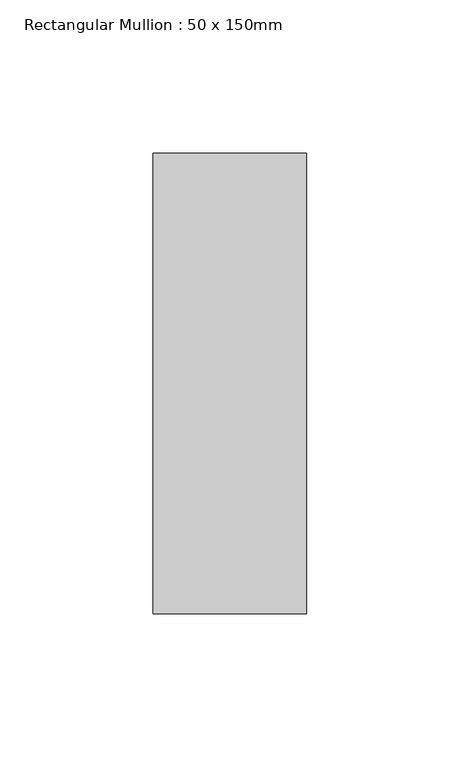
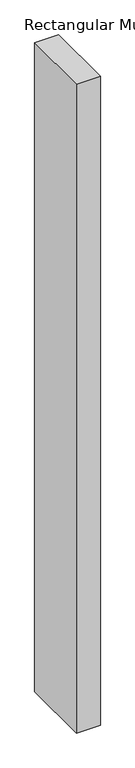
"""IFC4 building model written with IfcOpenShell, lengths in millimetres: member geometry, Rectangular Mullion : 50 x 150mm."""

import ifcopenshell
import ifcopenshell.guid

model = None  # the IFC model being written
_history = None  # IfcOwnerHistory: only IFC2X3 demands one
_inside = {}  # id of a spatial element -> (the spatial element, [elements in it])
_under = {}  # id of a project, library or spatial element -> (it, [spatial elements below it])
_declared = {}  # id of a project -> (the project, [libraries it declares])
_typed = {}  # id of a type object -> (the type object, [elements of that type])
_made_of = {}  # id of a material, layer set ... -> (it, [elements and type objects made of it])


def new_model(schema):
    """Start an empty IFC model of exactly this schema.

    Asked for "IFC4X3", IfcOpenShell would pick the latest addendum, in which some entities
    have other attributes; the version numbers below select the first issue.
    IFC2X3 requires an IfcOwnerHistory on every rooted entity: one is made here for all.
    """
    global model, _history
    if schema == "IFC4X3":
        model = ifcopenshell.file(schema_version=(4, 3, 0, 0))
    else:
        model = ifcopenshell.file(schema=schema)
    _inside.clear()
    _under.clear()
    _declared.clear()
    _typed.clear()
    _made_of.clear()
    _history = None
    if model.schema == "IFC2X3":
        org = make("IfcOrganization", Name="unknown")
        user = make(
            "IfcPersonAndOrganization",
            ThePerson=make("IfcPerson", FamilyName="unknown"),
            TheOrganization=org,
        )
        app = make(
            "IfcApplication",
            ApplicationDeveloper=org,
            Version="unknown",
            ApplicationFullName="unknown",
            ApplicationIdentifier="unknown",
        )
        _history = make(
            "IfcOwnerHistory",
            OwningUser=user,
            OwningApplication=app,
            ChangeAction="ADDED",
            CreationDate=0,
        )
    return model


def make(cls, **values):
    """One entity of the class cls with the attributes given. An attribute that is None is left unset."""
    return model.create_entity(
        cls, **{name: value for name, value in values.items() if value is not None}
    )


def rooted(cls, **values):
    """An entity with a GlobalId (a new one), such as an element, a storey or a relation."""
    return make(cls, GlobalId=ifcopenshell.guid.new(), OwnerHistory=_history, **values)


def si_unit(unit_type, name, prefix=None):
    """IfcSIUnit, for example si_unit("LENGTHUNIT", "METRE", prefix="MILLI")."""
    return make("IfcSIUnit", UnitType=unit_type, Prefix=prefix, Name=name)


def assignment(units):
    """IfcUnitAssignment: the units of a project."""
    return None if units is None else make("IfcUnitAssignment", Units=units)


def point(xyz):
    """IfcCartesianPoint."""
    return None if xyz is None else make("IfcCartesianPoint", Coordinates=xyz)


def direction(xyz):
    """IfcDirection."""
    return None if xyz is None else make("IfcDirection", DirectionRatios=xyz)


def frame(location, z_axis=None, x_axis=None):
    """IfcAxis2Placement3D, a coordinate frame: its origin and axes. An axis left out is left unset."""
    return make(
        "IfcAxis2Placement3D",
        Location=point(location),
        Axis=direction(z_axis),
        RefDirection=direction(x_axis),
    )


def origin():
    """The frame at (0, 0, 0) with its axes left unset."""
    return frame((0.0, 0.0, 0.0))


def place(relative_to, where):
    """IfcLocalPlacement: puts the frame where relative to a parent placement (None: the world)."""
    return make(
        "IfcLocalPlacement", PlacementRelTo=relative_to, RelativePlacement=where
    )


def context(
    kind, dimensions, precision=None, world=None, true_north=None, identifier=None
):
    """IfcGeometricRepresentationContext, for example the 3D "Model" context."""
    return make(
        "IfcGeometricRepresentationContext",
        ContextIdentifier=identifier,
        ContextType=kind,
        CoordinateSpaceDimension=dimensions,
        Precision=precision,
        WorldCoordinateSystem=world,
        TrueNorth=true_north,
    )


def project(units=None, contexts=None):
    """IfcProject with its units and contexts."""
    return rooted(
        "IfcProject",
        Name="project",
        RepresentationContexts=contexts,
        UnitsInContext=assignment(units),
    )


def spatial(cls, under=None, at=None, **own):
    """A site, building, storey or space (cls), placed at a placement, below another one or the project."""
    s = rooted(cls, ObjectPlacement=at, **own)
    if under is not None:
        _under.setdefault(under.id(), (under, []))[1].append(s)
    return s


def polyline(points):
    """IfcPolyline through the points."""
    return make("IfcPolyline", Points=[point(p) for p in points])


def outline(outer, holes=None, kind="AREA"):
    """IfcArbitraryClosedProfileDef: a profile drawn as a closed curve; with holes, ...WithVoids."""
    if holes is None:
        return make("IfcArbitraryClosedProfileDef", ProfileType=kind, OuterCurve=outer)
    return make(
        "IfcArbitraryProfileDefWithVoids",
        ProfileType=kind,
        OuterCurve=outer,
        InnerCurves=holes,
    )


def extrude(swept, where, along, depth):
    """IfcExtrudedAreaSolid: the profile swept, set in the frame where, extruded along a direction by depth."""
    return make(
        "IfcExtrudedAreaSolid",
        SweptArea=swept,
        Position=where,
        ExtrudedDirection=direction(along),
        Depth=depth,
    )


def shape(context_of_items, identifier, shape_type, items):
    """IfcShapeRepresentation: the items that make up one representation, for example the "Body"."""
    return make(
        "IfcShapeRepresentation",
        ContextOfItems=context_of_items,
        RepresentationIdentifier=identifier,
        RepresentationType=shape_type,
        Items=items,
    )


def source(mapping_origin, context_of_items, identifier, shape_type, items):
    """IfcRepresentationMap: a shape defined once, which mapped items show again and again."""
    return make(
        "IfcRepresentationMap",
        MappingOrigin=mapping_origin,
        MappedRepresentation=shape(context_of_items, identifier, shape_type, items),
    )


def transform(
    local_origin,
    x_axis=None,
    y_axis=None,
    z_axis=None,
    scale=None,
    scale2=None,
    scale3=None,
    uniform=True,
):
    """IfcCartesianTransformationOperator3D, or its non-uniform kind. x_axis, y_axis, z_axis: its Axis1, 2, 3."""
    if uniform:
        return make(
            "IfcCartesianTransformationOperator3D",
            Axis1=direction(x_axis),
            Axis2=direction(y_axis),
            LocalOrigin=point(local_origin),
            Scale=scale,
            Axis3=direction(z_axis),
        )
    return make(
        "IfcCartesianTransformationOperator3DnonUniform",
        Axis1=direction(x_axis),
        Axis2=direction(y_axis),
        LocalOrigin=point(local_origin),
        Scale=scale,
        Axis3=direction(z_axis),
        Scale2=scale2,
        Scale3=scale3,
    )


def mapped(mapping_source, mapping_target):
    """IfcMappedItem: shows the shape of a source again, moved by a transform."""
    return make(
        "IfcMappedItem", MappingSource=mapping_source, MappingTarget=mapping_target
    )


def made_of(thing, what):
    """Note that an element or type object is made of a material, layer set ...; save() writes the relation."""
    if what is not None:
        _made_of.setdefault(what.id(), (what, []))[1].append(thing)
    return thing


def element(
    cls,
    number,
    at=None,
    inside=None,
    cuts=None,
    type_object=None,
    material=None,
    context=None,
    identifier="Body",
    shape_type=None,
    held_by="IfcProductDefinitionShape",
    body=None,
    shapes=None,
    **own,
):
    """One element of the class cls, such as IfcWall. Its Tag is "e" and its number.

    at: its placement. inside: the storey or other place that contains it. cuts: it is an
    opening in that element (IfcRelVoidsElement). A single representation is given by context,
    identifier, shape_type and body (its items); several are given by shapes. held_by: the class
    of the entity that holds the representations. save() writes the other relations.
    """
    e = rooted(cls, Tag="e%d" % number, ObjectPlacement=at, **own)
    if body is not None:
        shapes = [shape(context, identifier, shape_type, body)]
    if shapes is not None:
        e.Representation = make(held_by, Representations=shapes)
    if inside is not None:
        _inside.setdefault(inside.id(), (inside, []))[1].append(e)
    if cuts is not None:
        rooted(
            "IfcRelVoidsElement", RelatingBuildingElement=cuts, RelatedOpeningElement=e
        )
    if type_object is not None:
        _typed.setdefault(type_object.id(), (type_object, []))[1].append(e)
    return made_of(e, material)


def aggregate(whole, parts):
    """IfcRelAggregates: a whole, such as a stair, and the parts it consists of."""
    return rooted("IfcRelAggregates", RelatingObject=whole, RelatedObjects=parts)


def save(model, path):
    """Write the relations noted so far, then the file.

    IfcRelAggregates (storeys below a building ...), IfcRelContainedInSpatialStructure (elements
    in a storey), IfcRelDefinesByType, IfcRelAssociatesMaterial and IfcRelDeclares: one each for
    every whole, place, type object, material and project.
    """
    for whole, parts in _under.values():
        aggregate(whole, parts)
    for where, things in _inside.values():
        rooted(
            "IfcRelContainedInSpatialStructure",
            RelatedElements=things,
            RelatingStructure=where,
        )
    for kind, things in _typed.values():
        rooted("IfcRelDefinesByType", RelatedObjects=things, RelatingType=kind)
    for what, things in _made_of.values():
        rooted("IfcRelAssociatesMaterial", RelatedObjects=things, RelatingMaterial=what)
    for by, libraries in _declared.values():
        rooted("IfcRelDeclares", RelatingContext=by, RelatedDefinitions=libraries)
    model.write(path)


def rectangular_mullion_50_x_150mm_111e16da(model_context):
    return source(origin(), model_context, "Body", "SweptSolid", [
        extrude(outline(polyline([(25.0, 75.0), (25.0, -75.0), (-25.0, -75.0), (-25.0, 75.0), (25.0, 75.0)])), frame((0.0, 0.0, -1427.9872634), z_axis=(0.0, 0.0, 1.0), x_axis=(1.0, 0.0, 0.0)), (0.0, 0.0, 1.0), 1427.9872634),
    ])


if __name__ == "__main__":
    model = new_model("IFC4")
    model_context = context("Model", 3, world=origin())
    ifc_project = project(units=[si_unit("LENGTHUNIT", "METRE", prefix="MILLI")], contexts=[model_context])
    site = spatial("IfcSite", under=ifc_project)
    building = spatial("IfcBuilding", under=site)
    placement = place(None, origin())
    rectangular_mullion_50_x_150mm_shape = rectangular_mullion_50_x_150mm_111e16da(model_context)
    element("IfcMember", 1, ObjectType="Rectangular Mullion : 50 x 150mm", at=placement, inside=building, context=model_context, shape_type="MappedRepresentation", body=[
        mapped(rectangular_mullion_50_x_150mm_shape, transform((0.0, 0.0, 0.0), x_axis=(1.0, 0.0, 0.0), y_axis=(0.0, 1.0, 0.0), z_axis=(0.0, 0.0, 1.0))),
    ])
    save(model, "model.ifc")
